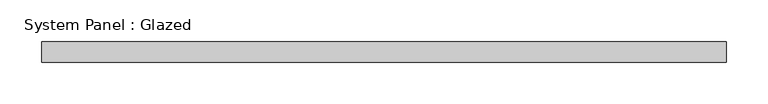
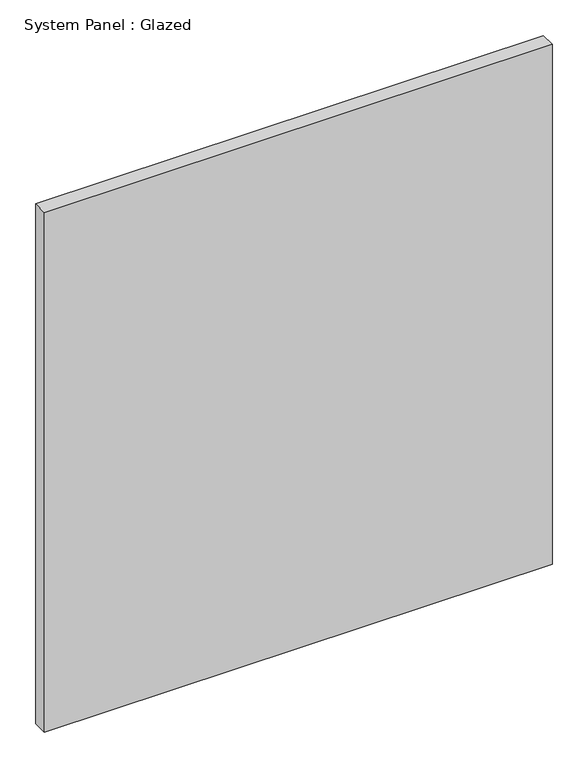
"""IFC4 building model written with IfcOpenShell, lengths in millimetres: plate geometry, System Panel : Glazed."""

from ifc_helpers import new_model, si_unit, origin, origin_with_axes, place, context, project, spatial, polyline, outline, extrude, source, transform, mapped, element, save


def system_panel_glazed_2c3f7a95(model_context):
    return source(origin(), model_context, "Body", "SweptSolid", [
        extrude(outline(polyline([(412.5, 24.5), (-412.5, 24.5), (-412.5, 49.5), (412.5, 49.5), (412.5, 24.5)])), origin_with_axes(), (0.0, 0.0, 1.0), 892.6666667),
    ])


if __name__ == "__main__":
    model = new_model("IFC4")
    model_context = context("Model", 3, world=origin())
    ifc_project = project(units=[si_unit("LENGTHUNIT", "METRE", prefix="MILLI")], contexts=[model_context])
    site = spatial("IfcSite", under=ifc_project)
    building = spatial("IfcBuilding", under=site)
    placement = place(None, origin())
    system_panel_glazed_shape = system_panel_glazed_2c3f7a95(model_context)
    element("IfcPlate", 1, ObjectType="System Panel : Glazed", at=placement, inside=building, context=model_context, shape_type="MappedRepresentation", body=[
        mapped(system_panel_glazed_shape, transform((0.0, 0.0, 0.0), x_axis=(1.0, 0.0, 0.0), y_axis=(0.0, 1.0, 0.0), z_axis=(0.0, 0.0, 1.0))),
    ])
    save(model, "model.ifc")
